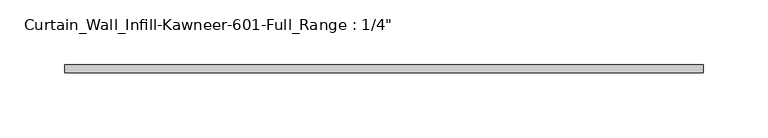
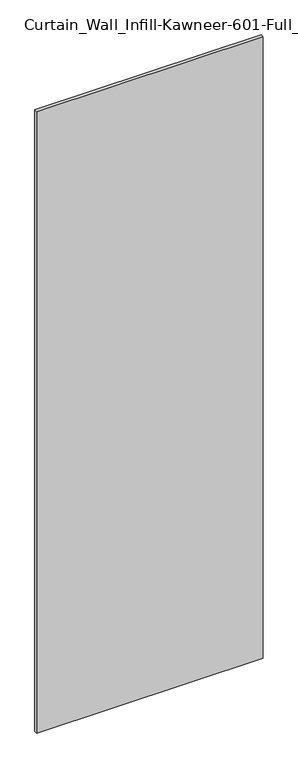
"""IFC4 building model written with IfcOpenShell, lengths in millimetres: plate geometry."""

from ifc_helpers import new_model, si_unit, origin, origin_with_axes, place, context, project, spatial, polyline, outline, extrude, source, transform, mapped, element, save


def plate_c19fa2ac(model_context):
    return source(origin(), model_context, "Body", "SweptSolid", [
        extrude(outline(polyline([(-247.65, 0.0), (-247.65, 6.35), (247.65, 6.35), (247.65, 0.0), (-247.65, 0.0)])), origin_with_axes(), (0.0, 0.0, 1.0), 1435.1),
    ])


if __name__ == "__main__":
    model = new_model("IFC4")
    model_context = context("Model", 3, world=origin())
    ifc_project = project(units=[si_unit("LENGTHUNIT", "METRE", prefix="MILLI")], contexts=[model_context])
    site = spatial("IfcSite", under=ifc_project)
    building = spatial("IfcBuilding", under=site)
    placement = place(None, origin())
    plate_shape = plate_c19fa2ac(model_context)
    element("IfcPlate", 1, ObjectType="Curtain_Wall_Infill-Kawneer-601-Full_Range : 1/4\"", at=placement, inside=building, context=model_context, shape_type="MappedRepresentation", body=[
        mapped(plate_shape, transform((0.0, 0.0, 0.0), x_axis=(1.0, 0.0, 0.0), y_axis=(0.0, 1.0, 0.0), z_axis=(0.0, 0.0, 1.0))),
    ])
    save(model, "model.ifc")
